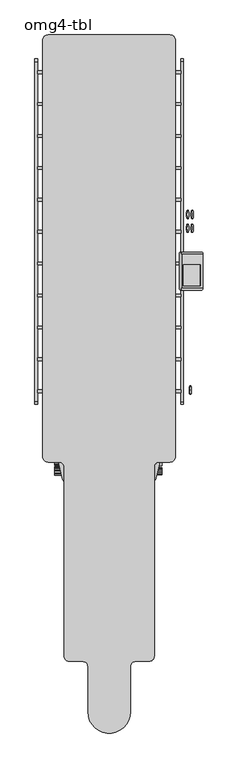
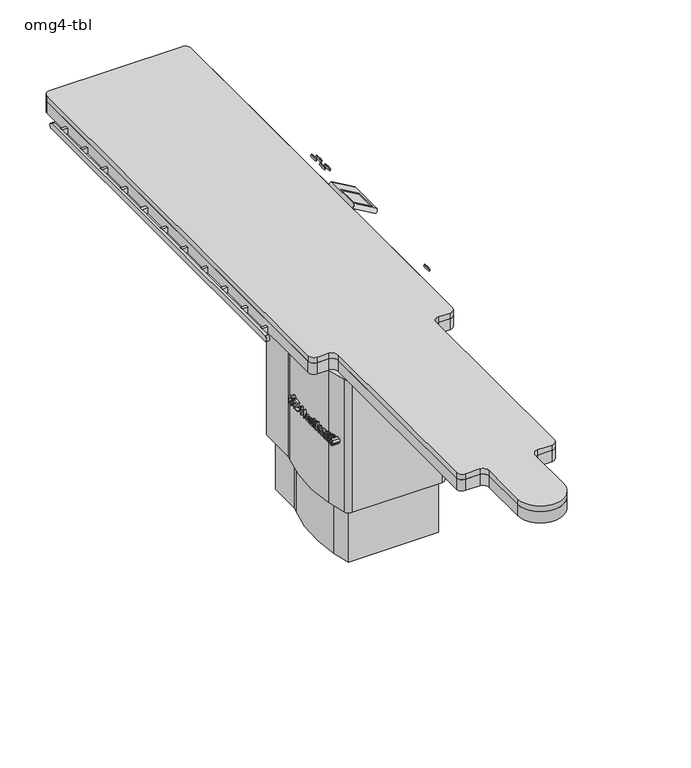
"""IFC4 building model written with IfcOpenShell, lengths in millimetres: proxy geometry, omg4-tbl."""

from ifc_helpers import new_model, si_unit, point, frame, frame_2d, origin, origin_with_axes, place, context, project, spatial, polyline, circle_curve, ellipse_curve, trimmed, segment, composite_curve, outline, extrude, source, transform, mapped, element, save
from ifc_brep_helpers import plane_surface, cylinder_surface, extruded_surface, advanced_brep


def omg4_tbl_493a98fd(model_context):
    return source(origin(), model_context, "Body", "SolidModel", [
        extrude(outline(composite_curve([segment(polyline([(197.4871344, 1087.3739238), (-197.4871344, 1087.3739238)]), True, "CONTINUOUS"), segment(trimmed(circle_curve(frame_2d((457.3916656, 1292.1018648)), 686.1339318), [point((-197.4871344, 1087.3739238))], [point((-217.4360473, 1168.056186))], False, "CARTESIAN"), True, "CONTINUOUS"), segment(trimmed(circle_curve(frame_2d((457.3916656, 1292.1018648)), 686.1339318), [point((-217.4360473, 1168.056186))], [point((-202.5037078, 1480.0323536))], False, "CARTESIAN"), True, "CONTINUOUS"), segment(trimmed(circle_curve(frame_2d((-246.6654355, 1503.5410697)), 50.0291708), [point((-202.5037078, 1480.0323536))], [point((-196.6365339, 1503.3769594))], True, "CARTESIAN"), True, "CONTINUOUS"), segment(polyline([(-196.6365339, 1503.3769594), (-196.6365339, 1646.1739238), (196.6365339, 1646.1739238), (196.6365339, 1503.3769594)]), True, "CONTINUOUS"), segment(trimmed(circle_curve(frame_2d((246.6654355, 1503.5410697)), 50.0291708), [point((196.6365339, 1503.3769594))], [point((202.5037078, 1480.0323536))], True, "CARTESIAN"), True, "CONTINUOUS"), segment(trimmed(circle_curve(frame_2d((-457.3916656, 1292.1018648)), 686.1339318), [point((202.5037078, 1480.0323536))], [point((217.4360473, 1168.056186))], False, "CARTESIAN"), True, "CONTINUOUS"), segment(trimmed(circle_curve(frame_2d((-457.3916656, 1292.1018648)), 686.1339318), [point((217.4360473, 1168.056186))], [point((197.4871344, 1087.3739238))], False, "CARTESIAN"), True, "CONTINUOUS")], self_intersect=False)), origin_with_axes(), (0.0, 0.0, 1.0), 304.8),
        extrude(outline(composite_curve([segment(polyline([(-222.0365339, 1503.4259238), (-222.0365339, 1671.5739238), (222.0365339, 1671.5739238), (222.0365339, 1503.4259238)]), True, "CONTINUOUS"), segment(trimmed(circle_curve(frame_2d((246.6654355, 1503.5410697)), 24.6291708), [point((222.0365339, 1503.4259238))], [point((226.0481023, 1490.0680735))], True, "CARTESIAN"), True, "CONTINUOUS"), segment(trimmed(circle_curve(frame_2d((-457.3916656, 1292.1018648)), 711.5339318), [point((226.0481023, 1490.0680735))], [point((242.4175022, 1163.4641376))], False, "CARTESIAN"), True, "CONTINUOUS"), segment(trimmed(circle_curve(frame_2d((-457.3916656, 1292.1018648)), 711.5339318), [point((242.4175022, 1163.4641376))], [point((221.7301003, 1079.7950978))], False, "CARTESIAN"), True, "CONTINUOUS"), segment(trimmed(circle_curve(frame_2d((197.4871344, 1087.3739238)), 25.4), [point((221.7301003, 1079.7950978))], [point((197.4871344, 1061.9739238))], False, "CARTESIAN"), True, "CONTINUOUS"), segment(polyline([(197.4871344, 1061.9739238), (-197.4871344, 1061.9739238)]), True, "CONTINUOUS"), segment(trimmed(circle_curve(frame_2d((-197.4871344, 1087.3739238)), 25.4), [point((-197.4871344, 1061.9739238))], [point((-221.7301003, 1079.7950978))], False, "CARTESIAN"), True, "CONTINUOUS"), segment(trimmed(circle_curve(frame_2d((457.3916656, 1292.1018648)), 711.5339318), [point((-221.7301003, 1079.7950978))], [point((-242.4175022, 1163.4641376))], False, "CARTESIAN"), True, "CONTINUOUS"), segment(trimmed(circle_curve(frame_2d((457.3916656, 1292.1018648)), 711.5339318), [point((-242.4175022, 1163.4641376))], [point((-226.0481023, 1490.0680735))], False, "CARTESIAN"), True, "CONTINUOUS"), segment(trimmed(circle_curve(frame_2d((-246.6654355, 1503.5410697)), 24.6291708), [point((-226.0481023, 1490.0680735))], [point((-222.0365339, 1503.4259238))], True, "CARTESIAN"), True, "CONTINUOUS")], self_intersect=False)), frame((0.0, 0.0, 247.046874), z_axis=(0.0, 0.0, 1.0), x_axis=(1.0, 0.0, 0.0)), (0.0, 0.0, 1.0), 614.8831494),
        extrude(outline(polyline([(-342.9, 1495.5182659), (-342.9, 1508.2182659), (-317.5, 1508.2182659), (-317.5, 1495.5182659), (-342.9, 1495.5182659)])), frame((0.0, 0.0, 861.9300234), z_axis=(0.0, 0.0, 1.0), x_axis=(1.0, 0.0, 0.0)), (0.0, 0.0, 1.0), 25.4),
        extrude(outline(polyline([(-342.9, 1647.9182659), (-342.9, 1660.6182659), (-317.5, 1660.6182659), (-317.5, 1647.9182659), (-342.9, 1647.9182659)])), frame((0.0, 0.0, 861.9300234), z_axis=(0.0, 0.0, 1.0), x_axis=(1.0, 0.0, 0.0)), (0.0, 0.0, 1.0), 25.4),
        extrude(outline(polyline([(-342.9, 1800.3182659), (-342.9, 1813.0182659), (-317.5, 1813.0182659), (-317.5, 1800.3182659), (-342.9, 1800.3182659)])), frame((0.0, 0.0, 861.9300234), z_axis=(0.0, 0.0, 1.0), x_axis=(1.0, 0.0, 0.0)), (0.0, 0.0, 1.0), 25.4),
        extrude(outline(polyline([(-342.9, 1952.7182659), (-342.9, 1965.4182659), (-317.5, 1965.4182659), (-317.5, 1952.7182659), (-342.9, 1952.7182659)])), frame((0.0, 0.0, 861.9300234), z_axis=(0.0, 0.0, 1.0), x_axis=(1.0, 0.0, 0.0)), (0.0, 0.0, 1.0), 25.4),
        extrude(outline(polyline([(-342.9, 2105.1182659), (-342.9, 2117.8182659), (-317.5, 2117.8182659), (-317.5, 2105.1182659), (-342.9, 2105.1182659)])), frame((0.0, 0.0, 861.9300234), z_axis=(0.0, 0.0, 1.0), x_axis=(1.0, 0.0, 0.0)), (0.0, 0.0, 1.0), 25.4),
        extrude(outline(polyline([(-342.9, 2257.5182659), (-342.9, 2270.2182659), (-317.5, 2270.2182659), (-317.5, 2257.5182659), (-342.9, 2257.5182659)])), frame((0.0, 0.0, 861.9300234), z_axis=(0.0, 0.0, 1.0), x_axis=(1.0, 0.0, 0.0)), (0.0, 0.0, 1.0), 25.4),
        extrude(outline(polyline([(-342.9, 2409.9182659), (-342.9, 2422.6182659), (-317.5, 2422.6182659), (-317.5, 2409.9182659), (-342.9, 2409.9182659)])), frame((0.0, 0.0, 861.9300234), z_axis=(0.0, 0.0, 1.0), x_axis=(1.0, 0.0, 0.0)), (0.0, 0.0, 1.0), 25.4),
        extrude(outline(polyline([(-342.9, 2562.3182659), (-342.9, 2575.0182659), (-317.5, 2575.0182659), (-317.5, 2562.3182659), (-342.9, 2562.3182659)])), frame((0.0, 0.0, 861.9300234), z_axis=(0.0, 0.0, 1.0), x_axis=(1.0, 0.0, 0.0)), (0.0, 0.0, 1.0), 25.4),
        extrude(outline(polyline([(-342.9, 2714.7182659), (-342.9, 2727.4182659), (-317.5, 2727.4182659), (-317.5, 2714.7182659), (-342.9, 2714.7182659)])), frame((0.0, 0.0, 861.9300234), z_axis=(0.0, 0.0, 1.0), x_axis=(1.0, 0.0, 0.0)), (0.0, 0.0, 1.0), 25.4),
        extrude(outline(polyline([(-342.9, 2867.1182659), (-342.9, 2879.8182659), (-317.5, 2879.8182659), (-317.5, 2867.1182659), (-342.9, 2867.1182659)])), frame((0.0, 0.0, 861.9300234), z_axis=(0.0, 0.0, 1.0), x_axis=(1.0, 0.0, 0.0)), (0.0, 0.0, 1.0), 25.4),
        extrude(outline(polyline([(-342.9, 3019.5182659), (-342.9, 3032.2182659), (-317.5, 3032.2182659), (-317.5, 3019.5182659), (-342.9, 3019.5182659)])), frame((0.0, 0.0, 861.9300234), z_axis=(0.0, 0.0, 1.0), x_axis=(1.0, 0.0, 0.0)), (0.0, 0.0, 1.0), 25.4),
        extrude(outline(polyline([(342.9, 1508.2182659), (342.9, 1495.5182659), (317.5, 1495.5182659), (317.5, 1508.2182659), (342.9, 1508.2182659)])), frame((0.0, 0.0, 861.9300234), z_axis=(0.0, 0.0, 1.0), x_axis=(1.0, 0.0, 0.0)), (0.0, 0.0, 1.0), 25.4),
        extrude(outline(polyline([(342.9, 1660.6182659), (342.9, 1647.9182659), (317.5, 1647.9182659), (317.5, 1660.6182659), (342.9, 1660.6182659)])), frame((0.0, 0.0, 861.9300234), z_axis=(0.0, 0.0, 1.0), x_axis=(1.0, 0.0, 0.0)), (0.0, 0.0, 1.0), 25.4),
        extrude(outline(polyline([(342.9, 1813.0182659), (342.9, 1800.3182659), (317.5, 1800.3182659), (317.5, 1813.0182659), (342.9, 1813.0182659)])), frame((0.0, 0.0, 861.9300234), z_axis=(0.0, 0.0, 1.0), x_axis=(1.0, 0.0, 0.0)), (0.0, 0.0, 1.0), 25.4),
        extrude(outline(polyline([(342.9, 1965.4182659), (342.9, 1952.7182659), (317.5, 1952.7182659), (317.5, 1965.4182659), (342.9, 1965.4182659)])), frame((0.0, 0.0, 861.9300234), z_axis=(0.0, 0.0, 1.0), x_axis=(1.0, 0.0, 0.0)), (0.0, 0.0, 1.0), 25.4),
        extrude(outline(polyline([(342.9, 2117.8182659), (342.9, 2105.1182659), (317.5, 2105.1182659), (317.5, 2117.8182659), (342.9, 2117.8182659)])), frame((0.0, 0.0, 861.9300234), z_axis=(0.0, 0.0, 1.0), x_axis=(1.0, 0.0, 0.0)), (0.0, 0.0, 1.0), 25.4),
        extrude(outline(polyline([(342.9, 2270.2182659), (342.9, 2257.5182659), (317.5, 2257.5182659), (317.5, 2270.2182659), (342.9, 2270.2182659)])), frame((0.0, 0.0, 861.9300234), z_axis=(0.0, 0.0, 1.0), x_axis=(1.0, 0.0, 0.0)), (0.0, 0.0, 1.0), 25.4),
        extrude(outline(polyline([(342.9, 2422.6182659), (342.9, 2409.9182659), (317.5, 2409.9182659), (317.5, 2422.6182659), (342.9, 2422.6182659)])), frame((0.0, 0.0, 861.9300234), z_axis=(0.0, 0.0, 1.0), x_axis=(1.0, 0.0, 0.0)), (0.0, 0.0, 1.0), 25.4),
        extrude(outline(polyline([(342.9, 2575.0182659), (342.9, 2562.3182659), (317.5, 2562.3182659), (317.5, 2575.0182659), (342.9, 2575.0182659)])), frame((0.0, 0.0, 861.9300234), z_axis=(0.0, 0.0, 1.0), x_axis=(1.0, 0.0, 0.0)), (0.0, 0.0, 1.0), 25.4),
        extrude(outline(polyline([(342.9, 2727.4182659), (342.9, 2714.7182659), (317.5, 2714.7182659), (317.5, 2727.4182659), (342.9, 2727.4182659)])), frame((0.0, 0.0, 861.9300234), z_axis=(0.0, 0.0, 1.0), x_axis=(1.0, 0.0, 0.0)), (0.0, 0.0, 1.0), 25.4),
        extrude(outline(polyline([(342.9, 2879.8182659), (342.9, 2867.1182659), (317.5, 2867.1182659), (317.5, 2879.8182659), (342.9, 2879.8182659)])), frame((0.0, 0.0, 861.9300234), z_axis=(0.0, 0.0, 1.0), x_axis=(1.0, 0.0, 0.0)), (0.0, 0.0, 1.0), 25.4),
        extrude(outline(polyline([(342.9, 3032.2182659), (342.9, 3019.5182659), (317.5, 3019.5182659), (317.5, 3032.2182659), (342.9, 3032.2182659)])), frame((0.0, 0.0, 861.9300234), z_axis=(0.0, 0.0, 1.0), x_axis=(1.0, 0.0, 0.0)), (0.0, 0.0, 1.0), 25.4),
        extrude(outline(composite_curve([segment(trimmed(circle_curve(frame_2d((3076.6682659, 874.6300234)), 12.7), [point((3076.6682659, 887.3300234))], [point((3076.6682659, 861.9300234))], False, "CARTESIAN"), True, "CONTINUOUS"), segment(polyline([(3076.6682659, 861.9300234), (1451.0682659, 861.9300234)]), True, "CONTINUOUS"), segment(trimmed(circle_curve(frame_2d((1451.0682659, 874.6300234)), 12.7), [point((1451.0682659, 861.9300234))], [point((1451.0682659, 887.3300234))], False, "CARTESIAN"), True, "CONTINUOUS"), segment(polyline([(1451.0682659, 887.3300234), (3076.6682659, 887.3300234)]), True, "CONTINUOUS")], self_intersect=False)), frame((-355.6, 0.0, 0.0), z_axis=(1.0, 0.0, 0.0), x_axis=(0.0, 1.0, 0.0)), (0.0, 0.0, 1.0), 12.7),
        extrude(outline(composite_curve([segment(trimmed(circle_curve(frame_2d((3076.6682659, 874.6300234)), 12.7), [point((3076.6682659, 887.3300234))], [point((3076.6682659, 861.9300234))], False, "CARTESIAN"), True, "CONTINUOUS"), segment(polyline([(3076.6682659, 861.9300234), (1451.0682659, 861.9300234)]), True, "CONTINUOUS"), segment(trimmed(circle_curve(frame_2d((1451.0682659, 874.6300234)), 12.7), [point((1451.0682659, 861.9300234))], [point((1451.0682659, 887.3300234))], False, "CARTESIAN"), True, "CONTINUOUS"), segment(polyline([(1451.0682659, 887.3300234), (3076.6682659, 887.3300234)]), True, "CONTINUOUS")], self_intersect=False)), frame((342.9, 0.0, 0.0), z_axis=(1.0, 0.0, 0.0), x_axis=(0.0, 1.0, 0.0)), (0.0, 0.0, 1.0), 12.7),
        extrude(outline(composite_curve([segment(polyline([(101.6, 185.5641376), (101.6, -30.3358624)]), True, "CONTINUOUS"), segment(trimmed(circle_curve(frame_2d((0.0, -30.3358624)), 101.6), [point((101.6, -30.3358624))], [point((-101.6, -30.3358624))], False, "CARTESIAN"), True, "CONTINUOUS"), segment(polyline([(-101.6, -30.3358624), (-101.6, 185.5641376)]), True, "CONTINUOUS"), segment(trimmed(circle_curve(frame_2d((-127.0, 185.5641376)), 25.4), [point((-101.6, 185.5641376))], [point((-127.0, 210.9641376))], True, "CARTESIAN"), True, "CONTINUOUS"), segment(polyline([(-127.0, 210.9641376), (-190.5, 210.9641376)]), True, "CONTINUOUS"), segment(trimmed(circle_curve(frame_2d((-190.5, 236.3641376)), 25.4), [point((-190.5, 210.9641376))], [point((-215.9, 236.3641376))], False, "CARTESIAN"), True, "CONTINUOUS"), segment(polyline([(-215.9, 236.3641376), (-215.9, 1138.0641376)]), True, "CONTINUOUS"), segment(trimmed(circle_curve(frame_2d((-241.3, 1138.0641376)), 25.4), [point((-215.9, 1138.0641376))], [point((-241.3, 1163.4641376))], True, "CARTESIAN"), True, "CONTINUOUS"), segment(polyline([(-241.3, 1163.4641376), (-292.1, 1163.4641376)]), True, "CONTINUOUS"), segment(trimmed(circle_curve(frame_2d((-292.1, 1188.8641376)), 25.4), [point((-292.1, 1163.4641376))], [point((-317.5, 1188.8641376))], False, "CARTESIAN"), True, "CONTINUOUS"), segment(polyline([(-317.5, 1188.8641376), (-317.5, 3178.7001376)]), True, "CONTINUOUS"), segment(trimmed(circle_curve(frame_2d((-292.1, 3178.7001376)), 25.4), [point((-317.5, 3178.7001376))], [point((-292.1, 3204.1001376))], False, "CARTESIAN"), True, "CONTINUOUS"), segment(polyline([(-292.1, 3204.1001376), (292.1, 3204.1001376)]), True, "CONTINUOUS"), segment(trimmed(circle_curve(frame_2d((292.1, 3178.7001376)), 25.4), [point((292.1, 3204.1001376))], [point((317.5, 3178.7001376))], False, "CARTESIAN"), True, "CONTINUOUS"), segment(polyline([(317.5, 3178.7001376), (317.5, 1188.8641376)]), True, "CONTINUOUS"), segment(trimmed(circle_curve(frame_2d((292.1, 1188.8641376)), 25.4), [point((317.5, 1188.8641376))], [point((292.1, 1163.4641376))], False, "CARTESIAN"), True, "CONTINUOUS"), segment(polyline([(292.1, 1163.4641376), (241.3, 1163.4641376)]), True, "CONTINUOUS"), segment(trimmed(circle_curve(frame_2d((241.3, 1138.0641376)), 25.4), [point((241.3, 1163.4641376))], [point((215.9, 1138.0641376))], True, "CARTESIAN"), True, "CONTINUOUS"), segment(polyline([(215.9, 1138.0641376), (215.9, 236.3641376)]), True, "CONTINUOUS"), segment(trimmed(circle_curve(frame_2d((190.5, 236.3641376)), 25.4), [point((215.9, 236.3641376))], [point((190.5, 210.9641376))], False, "CARTESIAN"), True, "CONTINUOUS"), segment(polyline([(190.5, 210.9641376), (127.0, 210.9641376)]), True, "CONTINUOUS"), segment(trimmed(circle_curve(frame_2d((127.0, 185.5641376)), 25.4), [point((127.0, 210.9641376))], [point((101.6, 185.5641376))], True, "CARTESIAN"), True, "CONTINUOUS")], self_intersect=False)), frame((0.0, 0.0, 914.4), z_axis=(0.0, 0.0, 1.0), x_axis=(1.0, 0.0, 0.0)), (0.0, 0.0, 1.0), 25.4),
        extrude(outline(composite_curve([segment(polyline([(-317.5, 1188.8641376), (-317.5, 3178.7001376)]), True, "CONTINUOUS"), segment(trimmed(circle_curve(frame_2d((-292.1, 3178.7001376)), 25.4), [point((-317.5, 3178.7001376))], [point((-292.1, 3204.1001376))], False, "CARTESIAN"), True, "CONTINUOUS"), segment(polyline([(-292.1, 3204.1001376), (292.1, 3204.1001376)]), True, "CONTINUOUS"), segment(trimmed(circle_curve(frame_2d((292.1, 3178.7001376)), 25.4), [point((292.1, 3204.1001376))], [point((317.5, 3178.7001376))], False, "CARTESIAN"), True, "CONTINUOUS"), segment(polyline([(317.5, 3178.7001376), (317.5, 1188.8641376)]), True, "CONTINUOUS"), segment(trimmed(circle_curve(frame_2d((292.1, 1188.8641376)), 25.4), [point((317.5, 1188.8641376))], [point((292.1, 1163.4641376))], False, "CARTESIAN"), True, "CONTINUOUS"), segment(polyline([(292.1, 1163.4641376), (241.3, 1163.4641376)]), True, "CONTINUOUS"), segment(trimmed(circle_curve(frame_2d((241.3, 1138.0641376)), 25.4), [point((241.3, 1163.4641376))], [point((215.9, 1138.0641376))], True, "CARTESIAN"), True, "CONTINUOUS"), segment(polyline([(215.9, 1138.0641376), (215.9, 236.3641376)]), True, "CONTINUOUS"), segment(trimmed(circle_curve(frame_2d((190.5, 236.3641376)), 25.4), [point((215.9, 236.3641376))], [point((190.5, 210.9641376))], False, "CARTESIAN"), True, "CONTINUOUS"), segment(polyline([(190.5, 210.9641376), (127.0, 210.9641376)]), True, "CONTINUOUS"), segment(trimmed(circle_curve(frame_2d((127.0, 185.5641376)), 25.4), [point((127.0, 210.9641376))], [point((101.6, 185.5641376))], True, "CARTESIAN"), True, "CONTINUOUS"), segment(polyline([(101.6, 185.5641376), (101.6, -30.3358624)]), True, "CONTINUOUS"), segment(trimmed(circle_curve(frame_2d((0.0, -30.3358624)), 101.6), [point((101.6, -30.3358624))], [point((-101.6, -30.3358624))], False, "CARTESIAN"), True, "CONTINUOUS"), segment(polyline([(-101.6, -30.3358624), (-101.6, 185.5641376)]), True, "CONTINUOUS"), segment(trimmed(circle_curve(frame_2d((-127.0, 185.5641376)), 25.4), [point((-101.6, 185.5641376))], [point((-127.0, 210.9641376))], True, "CARTESIAN"), True, "CONTINUOUS"), segment(polyline([(-127.0, 210.9641376), (-190.5, 210.9641376)]), True, "CONTINUOUS"), segment(trimmed(circle_curve(frame_2d((-190.5, 236.3641376)), 25.4), [point((-190.5, 210.9641376))], [point((-215.9, 236.3641376))], False, "CARTESIAN"), True, "CONTINUOUS"), segment(polyline([(-215.9, 236.3641376), (-215.9, 1138.0641376)]), True, "CONTINUOUS"), segment(trimmed(circle_curve(frame_2d((-241.3, 1138.0641376)), 25.4), [point((-215.9, 1138.0641376))], [point((-241.3, 1163.4641376))], True, "CARTESIAN"), True, "CONTINUOUS"), segment(polyline([(-241.3, 1163.4641376), (-292.1, 1163.4641376)]), True, "CONTINUOUS"), segment(trimmed(circle_curve(frame_2d((-292.1, 1188.8641376)), 25.4), [point((-292.1, 1163.4641376))], [point((-317.5, 1188.8641376))], False, "CARTESIAN"), True, "CONTINUOUS")], self_intersect=False)), frame((0.0, 0.0, 861.9300234), z_axis=(0.0, 0.0, 1.0), x_axis=(1.0, 0.0, 0.0)), (0.0, 0.0, 1.0), 52.4699766),
        extrude(outline(polyline([(1418.7070726, 565.4669604), (1408.1563033, 565.4669604), (1408.1563033, 558.6895566), (1412.9050654, 556.1205542), (1419.3207024, 554.9161912), (1426.4690317, 556.5143763), (1431.5978779, 561.4050974), (1433.3609187, 569.579196), (1431.8955341, 576.9427537), (1429.4822288, 580.5558426), (1425.3974692, 583.2118523), (1419.3939716, 584.2238835), (1414.1231663, 583.2851215), (1410.4688634, 580.784809), (1408.3303178, 576.4481864), (1404.0074331, 577.6662873), (1406.8420365, 583.8712753), (1411.9846206, 587.5805301), (1419.3207024, 588.9131143), (1429.1937312, 586.6142922), (1435.7650654, 579.5850253), (1438.0501495, 569.3868643), (1435.7559067, 559.4130902), (1428.9601855, 552.5853138), (1418.9451976, 550.2269604), (1410.9909067, 551.7106623), (1403.4670726, 556.1342922), (1403.4670726, 570.1561912), (1418.7070726, 570.1561912), (1418.7070726, 565.4669604)])), frame((-260.1365339, 0.0, 0.0), z_axis=(1.0, 0.0, 0.0), x_axis=(0.0, 1.0, 0.0)), (0.0, 0.0, 1.0), 38.1),
        extrude(outline(polyline([(1395.8470726, 550.8131143), (1368.2978418, 550.8131143), (1368.2978418, 555.502345), (1391.1578418, 555.502345), (1391.1578418, 567.8115758), (1370.0563033, 567.8115758), (1370.0563033, 572.5008066), (1391.1578418, 572.5008066), (1391.1578418, 583.6377297), (1368.8839956, 583.6377297), (1368.8839956, 588.3269604), (1395.8470726, 588.3269604), (1395.8470726, 550.8131143)])), frame((-260.1365339, 0.0, 0.0), z_axis=(1.0, 0.0, 0.0), x_axis=(0.0, 1.0, 0.0)), (0.0, 0.0, 1.0), 38.1),
        extrude(outline(polyline([(1346.6101495, 550.8131143), (1341.9209187, 550.8131143), (1341.9209187, 568.3977297), (1321.991688, 568.3977297), (1321.991688, 550.8131143), (1317.3024572, 550.8131143), (1317.3024572, 588.3269604), (1321.991688, 588.3269604), (1321.991688, 573.0869604), (1341.9209187, 573.0869604), (1341.9209187, 588.3269604), (1346.6101495, 588.3269604), (1346.6101495, 550.8131143)])), frame((-260.1365339, 0.0, 0.0), z_axis=(1.0, 0.0, 0.0), x_axis=(0.0, 1.0, 0.0)), (0.0, 0.0, 1.0), 38.1),
        extrude(outline(polyline([(1290.3943322, 559.0192681), (1293.416688, 555.8961672), (1298.0143322, 554.9161912), (1304.0544644, 557.0318402), (1306.751688, 563.122345), (1285.6501495, 564.3862393), (1289.2082865, 575.1293402), (1298.3715197, 578.9484989), (1307.8049331, 575.1201816), (1311.4409187, 564.3587633), (1307.8415678, 553.9407946), (1298.1059187, 550.2269604), (1290.0966759, 552.3792441), (1285.796688, 558.4331143), (1290.3943322, 559.0192681)]), holes=[polyline([(1306.751688, 567.8115758), (1304.1643682, 572.5053859), (1298.389837, 574.2592681), (1292.2169043, 572.0611912), (1290.3393803, 567.8115758), (1306.751688, 567.8115758)])]), frame((-260.1365339, 0.0, 0.0), z_axis=(1.0, 0.0, 0.0), x_axis=(0.0, 1.0, 0.0)), (0.0, 0.0, 1.0), 38.1),
        extrude(outline(polyline([(1263.3763033, 554.3300373), (1262.2039956, 550.8131143), (1257.5147649, 550.8131143), (1258.4489476, 554.7559148), (1258.6870726, 562.9025373), (1258.6870726, 568.7365998), (1258.9160389, 572.8396768), (1260.3539476, 576.022309), (1263.5640557, 578.1150614), (1269.2470005, 578.9484989), (1275.4336711, 578.0051575), (1279.5184307, 575.321672), (1281.5470726, 570.742345), (1276.8578418, 570.1561912), (1274.5956543, 573.3571407), (1269.8514716, 574.2592681), (1264.6676735, 572.9037873), (1263.4037793, 568.3977297), (1271.5366639, 566.7858066), (1275.5939476, 566.0805902), (1278.877325, 564.5419364), (1281.2356783, 561.8492922), (1282.1332264, 558.1400373), (1279.7565557, 552.4525133), (1272.9470966, 550.2269604), (1267.923575, 551.1519845), (1263.3763033, 554.3300373)]), holes=[polyline([(1263.3900413, 563.0444965), (1264.1456303, 558.7536672), (1267.2046206, 556.0381263), (1271.9488033, 554.9161912), (1276.0473009, 555.9328018), (1277.4439956, 558.4697489), (1276.8028899, 560.2740037), (1274.9757384, 561.510422), (1270.9413514, 562.2705902), (1263.3900413, 563.0444965)])]), frame((-260.1365339, 0.0, 0.0), z_axis=(1.0, 0.0, 0.0), x_axis=(0.0, 1.0, 0.0)), (0.0, 0.0, 1.0), 38.1),
        extrude(outline(polyline([(-260.1365339, 1247.5501495), (-260.1365339, 1252.2393803), (-222.0365339, 1252.2393803), (-222.0365339, 1247.5501495), (-260.1365339, 1247.5501495)])), frame((0.0, 0.0, 550.8131143), z_axis=(0.0, 0.0, 1.0), x_axis=(1.0, 0.0, 0.0)), (0.0, 0.0, 1.0), 37.5138462),
        extrude(outline(polyline([(1230.551688, 554.7238595), (1232.5940678, 554.9161912), (1234.9936351, 556.0884989), (1235.2409187, 558.5063835), (1235.2409187, 573.6731143), (1230.551688, 573.6731143), (1230.551688, 578.362345), (1235.2409187, 578.362345), (1235.2409187, 587.8140758), (1239.9301495, 585.057321), (1239.9301495, 578.362345), (1243.4470726, 578.362345), (1243.4470726, 573.6731143), (1239.9301495, 573.6731143), (1239.9301495, 558.3690037), (1239.362313, 553.0478258), (1237.402361, 551.005446), (1233.4732985, 550.2269604), (1229.9655341, 550.6757345), (1230.551688, 554.7238595)])), frame((-260.1365339, 0.0, 0.0), z_axis=(1.0, 0.0, 0.0), x_axis=(0.0, 1.0, 0.0)), (0.0, 0.0, 1.0), 38.1),
        extrude(outline(polyline([(1225.8624572, 550.8131143), (1221.1732264, 550.8131143), (1221.1732264, 565.4486431), (1220.4084788, 570.3851575), (1217.8440557, 573.2151816), (1214.0020005, 574.2592681), (1209.7707024, 572.7114556), (1208.2778418, 567.7657825), (1208.2778418, 550.8131143), (1203.588611, 550.8131143), (1203.588611, 568.2511912), (1204.5502697, 574.4149652), (1207.7466399, 577.7441359), (1213.0128658, 578.9484989), (1221.1732264, 574.5340277), (1221.1732264, 588.3269604), (1225.8624572, 588.3269604), (1225.8624572, 550.8131143)])), frame((-260.1365339, 0.0, 0.0), z_axis=(1.0, 0.0, 0.0), x_axis=(0.0, 1.0, 0.0)), (0.0, 0.0, 1.0), 38.1),
        extrude(outline(polyline([(1179.5563033, 560.7777297), (1181.8047529, 556.3540998), (1186.2238033, 554.9161912), (1191.5770365, 557.2195926), (1193.6239956, 564.6152056), (1191.5312432, 571.9421287), (1186.0955822, 574.2592681), (1182.3176375, 573.0823811), (1180.1424572, 569.5700373), (1175.4532264, 570.1561912), (1179.0022048, 576.6588354), (1186.1322168, 578.9484989), (1192.5112192, 577.2816239), (1196.8798971, 572.2764196), (1198.3132264, 564.4869845), (1194.9565798, 553.9133186), (1186.0681062, 550.2269604), (1178.6312793, 552.8692321), (1174.8670726, 560.1915758), (1179.5563033, 560.7777297)])), frame((-260.1365339, 0.0, 0.0), z_axis=(1.0, 0.0, 0.0), x_axis=(0.0, 1.0, 0.0)), (0.0, 0.0, 1.0), 38.1),
        extrude(outline(polyline([(1153.1793803, 554.3300373), (1152.0070726, 550.8131143), (1147.3178418, 550.8131143), (1148.2520245, 554.7559148), (1148.4901495, 562.9025373), (1148.4901495, 568.7365998), (1148.7191158, 572.8396768), (1150.1570245, 576.022309), (1153.3671327, 578.1150614), (1159.0500774, 578.9484989), (1165.236748, 578.0051575), (1169.3215077, 575.321672), (1171.3501495, 570.742345), (1166.6609187, 570.1561912), (1164.3987312, 573.3571407), (1159.6545485, 574.2592681), (1154.4707505, 572.9037873), (1153.2068562, 568.3977297), (1161.3397408, 566.7858066), (1165.3970245, 566.0805902), (1168.6804019, 564.5419364), (1171.0387553, 561.8492922), (1171.9363033, 558.1400373), (1169.5596327, 552.4525133), (1162.7501735, 550.2269604), (1157.7266519, 551.1519845), (1153.1793803, 554.3300373)]), holes=[polyline([(1153.1931182, 563.0444965), (1153.9487072, 558.7536672), (1157.0076976, 556.0381263), (1161.7518803, 554.9161912), (1165.8503779, 555.9328018), (1167.2470726, 558.4697489), (1166.6059668, 560.2740037), (1164.7788154, 561.510422), (1160.7444283, 562.2705902), (1153.1931182, 563.0444965)])]), frame((-260.1365339, 0.0, 0.0), z_axis=(1.0, 0.0, 0.0), x_axis=(0.0, 1.0, 0.0)), (0.0, 0.0, 1.0), 38.1),
        extrude(outline(polyline([(1142.0424572, 550.8131143), (1137.3532264, 550.8131143), (1137.3532264, 565.292946), (1136.5930581, 570.769821), (1134.9032865, 573.3342441), (1132.2518562, 574.2592681), (1128.9547408, 573.2976095), (1127.388611, 577.5014316), (1132.0961591, 578.9484989), (1135.0269283, 578.0417922), (1137.9393803, 574.2867441), (1137.9393803, 578.362345), (1142.0424572, 578.362345), (1142.0424572, 550.8131143)])), frame((-260.1365339, 0.0, 0.0), z_axis=(1.0, 0.0, 0.0), x_axis=(0.0, 1.0, 0.0)), (0.0, 0.0, 1.0), 38.1),
        extrude(outline(polyline([(1105.1697168, 559.0192681), (1108.1920726, 555.8961672), (1112.7897168, 554.9161912), (1118.829849, 557.0318402), (1121.5270726, 563.122345), (1100.4255341, 564.3862393), (1103.9836711, 575.1293402), (1113.1469043, 578.9484989), (1122.5803178, 575.1201816), (1126.2163033, 564.3587633), (1122.6169524, 553.9407946), (1112.8813033, 550.2269604), (1104.8720605, 552.3792441), (1100.5720726, 558.4331143), (1105.1697168, 559.0192681)]), holes=[polyline([(1121.5270726, 567.8115758), (1118.9397529, 572.5053859), (1113.1652216, 574.2592681), (1106.9922889, 572.0611912), (1105.1147649, 567.8115758), (1121.5270726, 567.8115758)])]), frame((-260.1365339, 0.0, 0.0), z_axis=(1.0, 0.0, 0.0), x_axis=(0.0, 1.0, 0.0)), (0.0, 0.0, 1.0), 38.1),
        extrude(outline(polyline([(1122.0165339, 565.196318), (1122.0165339, 569.8855487), (1137.2565339, 569.8855487), (1137.2565339, 555.8636497), (1129.7326998, 551.4400199), (1121.7784089, 549.956318), (1111.763421, 552.3146713), (1104.9676998, 559.1424478), (1102.673457, 569.1162218), (1104.9585412, 579.3143829), (1111.5298753, 586.3436497), (1121.4029041, 588.6424718), (1128.7389859, 587.3098877), (1133.88157, 583.6006329), (1136.7161734, 577.3956449), (1132.3932887, 576.1775439), (1130.2547431, 580.5141665), (1126.6004402, 583.014479), (1121.3296349, 583.953241), (1115.3261373, 582.9412098), (1111.2413777, 580.2852002), (1108.8280724, 576.6721112), (1107.3626878, 569.3085535), (1109.1257287, 561.134455), (1114.2545748, 556.2437338), (1121.4029041, 554.6455487), (1127.8185412, 555.8499117), (1132.5673032, 558.4189141), (1132.5673032, 565.196318), (1122.0165339, 565.196318)])), frame((222.0365339, 0.0, 0.0), z_axis=(1.0, 0.0, 0.0), x_axis=(0.0, 1.0, 0.0)), (0.0, 0.0, 1.0), 31.75),
        extrude(outline(polyline([(1144.8765339, 550.5424718), (1144.8765339, 588.056318), (1171.8396109, 588.056318), (1171.8396109, 583.3670872), (1149.5657647, 583.3670872), (1149.5657647, 572.2301641), (1170.6673032, 572.2301641), (1170.6673032, 567.5409333), (1149.5657647, 567.5409333), (1149.5657647, 555.2317026), (1172.4257647, 555.2317026), (1172.4257647, 550.5424718), (1144.8765339, 550.5424718)])), frame((222.0365339, 0.0, 0.0), z_axis=(1.0, 0.0, 0.0), x_axis=(0.0, 1.0, 0.0)), (0.0, 0.0, 1.0), 31.75),
        extrude(outline(polyline([(1194.113457, 550.5424718), (1194.113457, 588.056318), (1198.8026878, 588.056318), (1198.8026878, 572.816318), (1218.7319186, 572.816318), (1218.7319186, 588.056318), (1223.4211493, 588.056318), (1223.4211493, 550.5424718), (1218.7319186, 550.5424718), (1218.7319186, 568.1270872), (1198.8026878, 568.1270872), (1198.8026878, 550.5424718), (1194.113457, 550.5424718)])), frame((222.0365339, 0.0, 0.0), z_axis=(1.0, 0.0, 0.0), x_axis=(0.0, 1.0, 0.0)), (0.0, 0.0, 1.0), 31.75),
        extrude(outline(polyline([(1250.3292743, 558.7486256), (1254.9269186, 558.1624718), (1250.6269306, 552.1086016), (1242.6176878, 549.956318), (1232.8820387, 553.6701521), (1229.2826878, 564.0881208), (1232.9186734, 574.8495391), (1242.3520868, 578.6778564), (1251.51532, 574.8586978), (1255.073457, 564.1155968), (1233.9719186, 562.8517026), (1236.6691421, 556.7611978), (1242.7092743, 554.6455487), (1247.3069186, 555.6255247), (1250.3292743, 558.7486256)]), holes=[polyline([(1233.9719186, 567.5409333), (1250.3842262, 567.5409333), (1248.5067022, 571.7905487), (1242.3337695, 573.9886256), (1236.5592383, 572.2347434), (1233.9719186, 567.5409333)])]), frame((222.0365339, 0.0, 0.0), z_axis=(1.0, 0.0, 0.0), x_axis=(0.0, 1.0, 0.0)), (0.0, 0.0, 1.0), 31.75),
        extrude(outline(polyline([(1277.3473032, 554.0593949), (1272.8000315, 550.881342), (1267.7765099, 549.956318), (1260.9670508, 552.1818708), (1258.5903801, 557.8693949), (1259.4879282, 561.5786497), (1261.8462815, 564.2712939), (1265.1296589, 565.8099478), (1269.1869426, 566.5151641), (1277.3198272, 568.1270872), (1276.055933, 572.6331449), (1270.8721349, 573.9886256), (1266.1279522, 573.0864982), (1263.8657647, 569.8855487), (1259.1765339, 570.4717026), (1261.2051758, 575.0510295), (1265.2899354, 577.7345151), (1271.4766061, 578.6778564), (1277.1595508, 577.8444189), (1280.3696589, 575.7516665), (1281.8075676, 572.5690343), (1282.0365339, 568.4659574), (1282.0365339, 562.6318949), (1282.2746589, 554.4852723), (1283.2088416, 550.5424718), (1278.5196109, 550.5424718), (1277.3473032, 554.0593949)]), holes=[polyline([(1277.3335652, 562.773854), (1269.7822551, 561.9999478), (1265.7478681, 561.2397795), (1263.9207166, 560.0033612), (1263.2796109, 558.1991064), (1264.6763056, 555.6621593), (1268.7748032, 554.6455487), (1273.5189859, 555.7674838), (1276.5779762, 558.4830247), (1277.3335652, 562.773854)])]), frame((222.0365339, 0.0, 0.0), z_axis=(1.0, 0.0, 0.0), x_axis=(0.0, 1.0, 0.0)), (0.0, 0.0, 1.0), 31.75),
        extrude(outline(polyline([(253.7865339, 1293.173457), (253.7865339, 1288.4842262), (222.0365339, 1288.4842262), (222.0365339, 1293.173457), (253.7865339, 1293.173457)])), frame((0.0, 0.0, 550.5424718), z_axis=(0.0, 0.0, 1.0), x_axis=(1.0, 0.0, 0.0)), (0.0, 0.0, 1.0), 37.5138462),
        extrude(outline(polyline([(1310.1719186, 554.453217), (1310.7580724, 550.405092), (1307.250308, 549.956318), (1303.3212455, 550.7348035), (1301.3612936, 552.7771833), (1300.793457, 558.0983612), (1300.793457, 573.4024718), (1297.2765339, 573.4024718), (1297.2765339, 578.0917026), (1300.793457, 578.0917026), (1300.793457, 584.7866785), (1305.4826878, 587.5434333), (1305.4826878, 578.0917026), (1310.1719186, 578.0917026), (1310.1719186, 573.4024718), (1305.4826878, 573.4024718), (1305.4826878, 558.235741), (1305.7299714, 555.8178564), (1308.1295387, 554.6455487), (1310.1719186, 554.453217)])), frame((222.0365339, 0.0, 0.0), z_axis=(1.0, 0.0, 0.0), x_axis=(0.0, 1.0, 0.0)), (0.0, 0.0, 1.0), 31.75),
        extrude(outline(polyline([(1314.8611493, 550.5424718), (1314.8611493, 588.056318), (1319.5503801, 588.056318), (1319.5503801, 574.2633853), (1327.7107407, 578.6778564), (1332.9769666, 577.4734934), (1336.1733368, 574.1443228), (1337.1349955, 567.9805487), (1337.1349955, 550.5424718), (1332.4457647, 550.5424718), (1332.4457647, 567.4951401), (1330.9529041, 572.4408131), (1326.7216061, 573.9886256), (1322.8795508, 572.9445391), (1320.3151277, 570.1145151), (1319.5503801, 565.1780006), (1319.5503801, 550.5424718), (1314.8611493, 550.5424718)])), frame((222.0365339, 0.0, 0.0), z_axis=(1.0, 0.0, 0.0), x_axis=(0.0, 1.0, 0.0)), (0.0, 0.0, 1.0), 31.75),
        extrude(outline(polyline([(1361.1673032, 560.5070872), (1365.8565339, 559.9209333), (1362.0923272, 552.5985896), (1354.6555003, 549.956318), (1345.7670267, 553.6426761), (1342.4103801, 564.216342), (1343.8437094, 572.0057771), (1348.2123873, 577.0109814), (1354.5913897, 578.6778564), (1361.7214017, 576.388193), (1365.2703801, 569.8855487), (1360.5811493, 569.2993949), (1358.405969, 572.8117386), (1354.6280243, 573.9886256), (1349.1923633, 571.6714862), (1347.0996109, 564.3445631), (1349.14657, 556.9489502), (1354.4998032, 554.6455487), (1358.9188537, 556.0834574), (1361.1673032, 560.5070872)])), frame((222.0365339, 0.0, 0.0), z_axis=(1.0, 0.0, 0.0), x_axis=(0.0, 1.0, 0.0)), (0.0, 0.0, 1.0), 31.75),
        extrude(outline(polyline([(1387.5442262, 554.0593949), (1382.9969546, 550.881342), (1377.973433, 549.956318), (1371.1639738, 552.1818708), (1368.7873032, 557.8693949), (1369.6848512, 561.5786497), (1372.0432046, 564.2712939), (1375.326582, 565.8099478), (1379.3838657, 566.5151641), (1387.5167503, 568.1270872), (1386.2528561, 572.6331449), (1381.069058, 573.9886256), (1376.3248753, 573.0864982), (1374.0626878, 569.8855487), (1369.373457, 570.4717026), (1371.4020988, 575.0510295), (1375.4868585, 577.7345151), (1381.6735291, 578.6778564), (1387.3564738, 577.8444189), (1390.566582, 575.7516665), (1392.0044907, 572.5690343), (1392.233457, 568.4659574), (1392.233457, 562.6318949), (1392.471582, 554.4852723), (1393.4057647, 550.5424718), (1388.7165339, 550.5424718), (1387.5442262, 554.0593949)]), holes=[polyline([(1387.5304883, 562.773854), (1379.9791782, 561.9999478), (1375.9447912, 561.2397795), (1374.1176397, 560.0033612), (1373.4765339, 558.1991064), (1374.8732287, 555.6621593), (1378.9717262, 554.6455487), (1383.7159089, 555.7674838), (1386.7748993, 558.4830247), (1387.5304883, 562.773854)])]), frame((222.0365339, 0.0, 0.0), z_axis=(1.0, 0.0, 0.0), x_axis=(0.0, 1.0, 0.0)), (0.0, 0.0, 1.0), 31.75),
        extrude(outline(polyline([(1398.6811493, 550.5424718), (1398.6811493, 578.0917026), (1402.7842262, 578.0917026), (1402.7842262, 574.0161016), (1405.6966782, 577.7711497), (1408.6274474, 578.6778564), (1413.3349955, 577.2307891), (1411.7688657, 573.026967), (1408.4717503, 573.9886256), (1405.82032, 573.0636016), (1404.1305484, 570.4991785), (1403.3703801, 565.0223035), (1403.3703801, 550.5424718), (1398.6811493, 550.5424718)])), frame((222.0365339, 0.0, 0.0), z_axis=(1.0, 0.0, 0.0), x_axis=(0.0, 1.0, 0.0)), (0.0, 0.0, 1.0), 31.75),
        extrude(outline(polyline([(1435.5538897, 558.7486256), (1440.1515339, 558.1624718), (1435.851546, 552.1086016), (1427.8423032, 549.956318), (1418.1066541, 553.6701521), (1414.5073032, 564.0881208), (1418.1432887, 574.8495391), (1427.5767022, 578.6778564), (1436.7399354, 574.8586978), (1440.2980724, 564.1155968), (1419.1965339, 562.8517026), (1421.8937575, 556.7611978), (1427.9338897, 554.6455487), (1432.5315339, 555.6255247), (1435.5538897, 558.7486256)]), holes=[polyline([(1419.1965339, 567.5409333), (1435.6088416, 567.5409333), (1433.7313176, 571.7905487), (1427.5583849, 573.9886256), (1421.7838537, 572.2347434), (1419.1965339, 567.5409333)])]), frame((222.0365339, 0.0, 0.0), z_axis=(1.0, 0.0, 0.0), x_axis=(0.0, 1.0, 0.0)), (0.0, 0.0, 1.0), 31.75),
        advanced_brep(
        [(449.1444383, 1995.6552909, 867.570455), (438.3701219, 1995.6552909, 848.9087916), (438.3701219, 2156.0804499, 848.9087916), (449.1444383, 2156.0804499, 867.570455), (347.1747651, 1995.6552909, 926.4426732), (347.1747651, 2156.0804499, 926.4426732), (336.4004487, 2156.0804499, 907.7810098), (336.4004487, 1995.6552909, 907.7810098), (354.9660763, 2106.9602484, 921.9443576), (437.454996, 2106.9602484, 874.3193576), (437.454996, 2005.3602484, 874.3193576), (354.9660763, 2005.3602484, 921.9443576), (434.763362, 2106.9602484, 869.6573107), (352.2744423, 2106.9602484, 917.2823107), (352.2744423, 2005.3602484, 917.2823107), (434.763362, 2005.3602484, 869.6573107)],
        [
            (0, 1, circle_curve(frame((443.7572801, 1995.6552909, 858.2396233), z_axis=(0.8660254037844388, 0.0, -0.49999999999999983), x_axis=(0.0, -1.0, 0.0)), 10.7743164)),
            (1, 2),
            (2, 3, circle_curve(frame((443.7572801, 2156.0804499, 858.2396233), z_axis=(0.8660254037844388, 0.0, -0.49999999999999983), x_axis=(0.0, -1.0, 0.0)), 10.7743164)),
            (3, 0),
            (4, 5),
            (5, 6, circle_curve(frame((341.7876069, 2156.0804499, 917.1118415), z_axis=(-0.8660254037844388, 0.0, 0.49999999999999983), x_axis=(0.0, -1.0, 0.0)), 10.7743164)),
            (6, 7),
            (7, 4, circle_curve(frame((341.7876069, 1995.6552909, 917.1118415), z_axis=(-0.8660254037844388, 0.0, 0.49999999999999983), x_axis=(0.0, -1.0, 0.0)), 10.7743164)),
            (3, 5),
            (4, 0),
            (8, 9),
            (9, 10),
            (10, 11),
            (11, 8),
            (2, 6),
            (1, 7),
            (12, 13),
            (13, 14),
            (14, 15),
            (15, 12),
            (12, 9),
            (8, 13),
            (11, 14),
            (10, 15),
        ],
        [
            plane_surface(frame((450.0157658, 1995.6552909, 869.0796386), z_axis=(0.8660254037844388, 0.0, -0.49999999999999983), x_axis=(-0.49999999999999983, 0.0, -0.8660254037844388))),
            plane_surface(frame((348.0460927, 1995.6552909, 927.9518569), z_axis=(-0.8660254037844388, 0.0, 0.49999999999999983), x_axis=(-0.49999999999999983, 0.0, -0.8660254037844388))),
            plane_surface(frame((449.1444383, 2156.0804499, 867.570455), z_axis=(0.5, 0.0, 0.8660254037844387), x_axis=(-0.8660254037844387, 0.0, 0.5))),
            cylinder_surface(frame((443.7572801, 2156.0804499, 858.2396233), z_axis=(0.8660254037844388, 0.0, -0.49999999999999983), x_axis=(0.0, -1.0, 0.0)), 10.7743164),
            plane_surface(frame((438.3701219, 1995.6552909, 848.9087916), z_axis=(-0.5, 0.0, -0.8660254037844387), x_axis=(-0.8660254037844387, 0.0, 0.5))),
            cylinder_surface(frame((443.7572801, 1995.6552909, 858.2396233), z_axis=(0.8660254037844388, 0.0, -0.49999999999999983), x_axis=(0.0, -1.0, 0.0)), 10.7743164),
            plane_surface(frame((434.763362, 2106.9602484, 869.6573107), z_axis=(0.49999999999999983, 0.0, 0.8660254037844388), x_axis=(0.0, -1.0, 0.0))),
            plane_surface(frame((352.2744423, 2106.9602484, 917.2823107), z_axis=(0.0, -1.0000000000000002, 0.0), x_axis=(0.49999999999999895, 0.0, 0.8660254037844394))),
            plane_surface(frame((352.2744423, 2005.3602484, 917.2823107), z_axis=(0.8660254037844394, 0.0, -0.49999999999999895), x_axis=(0.49999999999999895, 0.0, 0.8660254037844394))),
            plane_surface(frame((434.763362, 2005.3602484, 869.6573107), z_axis=(0.0, 1.0000000000000002, 0.0), x_axis=(0.49999999999999895, 0.0, 0.8660254037844394))),
            plane_surface(frame((434.763362, 2106.9602484, 869.6573107), z_axis=(-0.8660254037844394, 0.0, 0.49999999999999895), x_axis=(0.49999999999999895, 0.0, 0.8660254037844394))),
        ],
        [
            (0, [[1, 2, 3, 4]]),
            (1, [[5, 6, 7, 8]]),
            (2, [[-4, 9, -5, 10], [11, 12, 13, 14]]),
            (3, [[-3, 15, -6, -9]]),
            (4, [[-2, 16, -7, -15]]),
            (5, [[-1, -10, -8, -16]]),
            (6, [[17, 18, 19, 20]]),
            (7, [[-17, 21, -11, 22]]),
            (8, [[-18, -22, -14, 23]]),
            (9, [[-19, -23, -13, 24]]),
            (10, [[-20, -24, -12, -21]]),
        ],
    ),
        advanced_brep(
        [(396.393271, 2260.235687, 900.0386005), (396.393271, 2300.5792866, 900.0386005), (399.568271, 2260.235687, 905.5378618), (399.568271, 2300.5792866, 905.5378618)],
        [
            (0, 1, ellipse_curve(frame((396.393271, 2280.4074868, 900.0386005), z_axis=(-0.4999999999999973, 0.0, -0.8660254037844403), x_axis=(0.0, 1.0, 0.0)), 20.1717998, 4.9609375)),
            (1, 0, ellipse_curve(frame((396.393271, 2280.4074868, 900.0386005), z_axis=(-0.4999999999999973, 0.0, -0.8660254037844403), x_axis=(0.0, 1.0, 0.0)), 20.1717998, 4.9609375)),
            (2, 3, ellipse_curve(frame((399.568271, 2280.4074868, 905.5378618), z_axis=(0.4999999999999973, 0.0, 0.8660254037844403), x_axis=(0.0, 1.0, 0.0)), 20.1717998, 4.9609375)),
            (3, 2, ellipse_curve(frame((399.568271, 2280.4074868, 905.5378618), z_axis=(0.4999999999999973, 0.0, 0.8660254037844403), x_axis=(0.0, 1.0, 0.0)), 20.1717998, 4.9609375)),
            (1, 3),
            (2, 0),
        ],
        [
            plane_surface(frame((396.393271, 2300.5792866, 900.0386005), z_axis=(-0.4999999999999998, 0.0, -0.8660254037844388), x_axis=(0.8660254037844388, 0.0, -0.4999999999999998))),
            plane_surface(frame((399.568271, 2300.5792866, 905.5378618), z_axis=(0.4999999999999998, 0.0, 0.8660254037844388), x_axis=(-0.8660254037844388, 0.0, 0.4999999999999998))),
            extruded_surface(trimmed(ellipse_curve(frame((402.743271, 2280.4074868, 911.0371231), z_axis=(-0.4999999999999973, 0.0, -0.8660254037844403), x_axis=(0.0, 1.0, 0.0)), 20.1717998, 4.9609375), [point((402.743271, 2300.5792866, 911.0371231))], [point((402.743271, 2260.235687, 911.0371231))], True, "CARTESIAN"), (-3.1750000000000114, 0.0, -5.499261300000057), 6.349999987848692),
            extruded_surface(trimmed(ellipse_curve(frame((402.743271, 2280.4074868, 911.0371231), z_axis=(-0.4999999999999973, 0.0, -0.8660254037844403), x_axis=(0.0, 1.0, 0.0)), 20.1717998, 4.9609375), [point((402.743271, 2260.235687, 911.0371231))], [point((402.743271, 2300.5792866, 911.0371231))], True, "CARTESIAN"), (-3.1750000000000114, 0.0, -5.499261300000057), 6.349999987848692),
        ],
        [
            (0, [[1, 2]]),
            (1, [[3, 4]]),
            (2, [[-2, 5, -3, 6]]),
            (3, [[-1, -6, -4, -5]]),
        ],
    ),
        advanced_brep(
        [(374.3962257, 2260.235687, 912.7386005), (374.3962257, 2300.5792866, 912.7386005), (377.5712257, 2260.235687, 918.2378618), (377.5712257, 2300.5792866, 918.2378618)],
        [
            (0, 1, ellipse_curve(frame((374.3962257, 2280.4074868, 912.7386005), z_axis=(-0.4999999999999973, 0.0, -0.8660254037844403), x_axis=(0.0, 1.0, 0.0)), 20.1717998, 4.9609375)),
            (1, 0, ellipse_curve(frame((374.3962257, 2280.4074868, 912.7386005), z_axis=(-0.4999999999999973, 0.0, -0.8660254037844403), x_axis=(0.0, 1.0, 0.0)), 20.1717998, 4.9609375)),
            (2, 3, ellipse_curve(frame((377.5712257, 2280.4074868, 918.2378618), z_axis=(0.4999999999999973, 0.0, 0.8660254037844403), x_axis=(0.0, 1.0, 0.0)), 20.1717998, 4.9609375)),
            (3, 2, ellipse_curve(frame((377.5712257, 2280.4074868, 918.2378618), z_axis=(0.4999999999999973, 0.0, 0.8660254037844403), x_axis=(0.0, 1.0, 0.0)), 20.1717998, 4.9609375)),
            (1, 3),
            (2, 0),
        ],
        [
            plane_surface(frame((374.3962257, 2300.5792866, 912.7386005), z_axis=(-0.4999999999999998, 0.0, -0.8660254037844388), x_axis=(0.8660254037844388, 0.0, -0.4999999999999998))),
            plane_surface(frame((377.5712257, 2300.5792866, 918.2378618), z_axis=(0.4999999999999998, 0.0, 0.8660254037844388), x_axis=(-0.8660254037844388, 0.0, 0.4999999999999998))),
            extruded_surface(trimmed(ellipse_curve(frame((380.7462257, 2280.4074868, 923.7371231), z_axis=(-0.4999999999999973, 0.0, -0.8660254037844403), x_axis=(0.0, 1.0, 0.0)), 20.1717998, 4.9609375), [point((380.7462257, 2300.5792866, 923.7371231))], [point((380.7462257, 2260.235687, 923.7371231))], True, "CARTESIAN"), (-3.1750000000000114, 0.0, -5.499261299999944), 6.3499999878485935),
            extruded_surface(trimmed(ellipse_curve(frame((380.7462257, 2280.4074868, 923.7371231), z_axis=(-0.4999999999999973, 0.0, -0.8660254037844403), x_axis=(0.0, 1.0, 0.0)), 20.1717998, 4.9609375), [point((380.7462257, 2260.235687, 923.7371231))], [point((380.7462257, 2300.5792866, 923.7371231))], True, "CARTESIAN"), (-3.1750000000000114, 0.0, -5.499261299999944), 6.3499999878485935),
        ],
        [
            (0, [[1, 2]]),
            (1, [[3, 4]]),
            (2, [[-2, 5, -3, 6]]),
            (3, [[-1, -6, -4, -5]]),
        ],
    ),
        advanced_brep(
        [(396.393271, 2325.6499702, 900.0386005), (396.393271, 2365.9935699, 900.0386005), (399.568271, 2325.6499702, 905.5378618), (399.568271, 2365.9935699, 905.5378618)],
        [
            (0, 1, ellipse_curve(frame((396.393271, 2345.82177, 900.0386005), z_axis=(-0.4999999999999973, 0.0, -0.8660254037844403), x_axis=(0.0, 1.0, 0.0)), 20.1717998, 4.9609375)),
            (1, 0, ellipse_curve(frame((396.393271, 2345.82177, 900.0386005), z_axis=(-0.4999999999999973, 0.0, -0.8660254037844403), x_axis=(0.0, 1.0, 0.0)), 20.1717998, 4.9609375)),
            (2, 3, ellipse_curve(frame((399.568271, 2345.82177, 905.5378618), z_axis=(0.4999999999999973, 0.0, 0.8660254037844403), x_axis=(0.0, 1.0, 0.0)), 20.1717998, 4.9609375)),
            (3, 2, ellipse_curve(frame((399.568271, 2345.82177, 905.5378618), z_axis=(0.4999999999999973, 0.0, 0.8660254037844403), x_axis=(0.0, 1.0, 0.0)), 20.1717998, 4.9609375)),
            (1, 3),
            (2, 0),
        ],
        [
            plane_surface(frame((396.393271, 2365.9935699, 900.0386005), z_axis=(-0.4999999999999998, 0.0, -0.8660254037844388), x_axis=(0.8660254037844388, 0.0, -0.4999999999999998))),
            plane_surface(frame((399.568271, 2365.9935699, 905.5378618), z_axis=(0.4999999999999998, 0.0, 0.8660254037844388), x_axis=(-0.8660254037844388, 0.0, 0.4999999999999998))),
            extruded_surface(trimmed(ellipse_curve(frame((402.743271, 2345.82177, 911.0371231), z_axis=(-0.4999999999999973, 0.0, -0.8660254037844403), x_axis=(0.0, 1.0, 0.0)), 20.1717998, 4.9609375), [point((402.743271, 2365.9935699, 911.0371231))], [point((402.743271, 2325.6499702, 911.0371231))], True, "CARTESIAN"), (-3.1750000000000114, 0.0, -5.499261300000057), 6.349999987848692),
            extruded_surface(trimmed(ellipse_curve(frame((402.743271, 2345.82177, 911.0371231), z_axis=(-0.4999999999999973, 0.0, -0.8660254037844403), x_axis=(0.0, 1.0, 0.0)), 20.1717998, 4.9609375), [point((402.743271, 2325.6499702, 911.0371231))], [point((402.743271, 2365.9935699, 911.0371231))], True, "CARTESIAN"), (-3.1750000000000114, 0.0, -5.499261300000057), 6.349999987848692),
        ],
        [
            (0, [[1, 2]]),
            (1, [[3, 4]]),
            (2, [[-2, 5, -3, 6]]),
            (3, [[-1, -6, -4, -5]]),
        ],
    ),
        advanced_brep(
        [(374.3962257, 2325.6499702, 912.7386005), (374.3962257, 2365.9935699, 912.7386005), (377.5712257, 2325.6499702, 918.2378618), (377.5712257, 2365.9935699, 918.2378618)],
        [
            (0, 1, ellipse_curve(frame((374.3962257, 2345.82177, 912.7386005), z_axis=(-0.4999999999999973, 0.0, -0.8660254037844403), x_axis=(0.0, 1.0, 0.0)), 20.1717998, 4.9609375)),
            (1, 0, ellipse_curve(frame((374.3962257, 2345.82177, 912.7386005), z_axis=(-0.4999999999999973, 0.0, -0.8660254037844403), x_axis=(0.0, 1.0, 0.0)), 20.1717998, 4.9609375)),
            (2, 3, ellipse_curve(frame((377.5712257, 2345.82177, 918.2378618), z_axis=(0.4999999999999973, 0.0, 0.8660254037844403), x_axis=(0.0, 1.0, 0.0)), 20.1717998, 4.9609375)),
            (3, 2, ellipse_curve(frame((377.5712257, 2345.82177, 918.2378618), z_axis=(0.4999999999999973, 0.0, 0.8660254037844403), x_axis=(0.0, 1.0, 0.0)), 20.1717998, 4.9609375)),
            (1, 3),
            (2, 0),
        ],
        [
            plane_surface(frame((374.3962257, 2365.9935699, 912.7386005), z_axis=(-0.4999999999999998, 0.0, -0.8660254037844388), x_axis=(0.8660254037844388, 0.0, -0.4999999999999998))),
            plane_surface(frame((377.5712257, 2365.9935699, 918.2378618), z_axis=(0.4999999999999998, 0.0, 0.8660254037844388), x_axis=(-0.8660254037844388, 0.0, 0.4999999999999998))),
            extruded_surface(trimmed(ellipse_curve(frame((380.7462257, 2345.82177, 923.7371231), z_axis=(-0.4999999999999973, 0.0, -0.8660254037844403), x_axis=(0.0, 1.0, 0.0)), 20.1717998, 4.9609375), [point((380.7462257, 2365.9935699, 923.7371231))], [point((380.7462257, 2325.6499702, 923.7371231))], True, "CARTESIAN"), (-3.1750000000000114, 0.0, -5.499261299999944), 6.3499999878485935),
            extruded_surface(trimmed(ellipse_curve(frame((380.7462257, 2345.82177, 923.7371231), z_axis=(-0.4999999999999973, 0.0, -0.8660254037844403), x_axis=(0.0, 1.0, 0.0)), 20.1717998, 4.9609375), [point((380.7462257, 2325.6499702, 923.7371231))], [point((380.7462257, 2365.9935699, 923.7371231))], True, "CARTESIAN"), (-3.1750000000000114, 0.0, -5.499261299999944), 6.3499999878485935),
        ],
        [
            (0, [[1, 2]]),
            (1, [[3, 4]]),
            (2, [[-2, 5, -3, 6]]),
            (3, [[-1, -6, -4, -5]]),
        ],
    ),
        advanced_brep(
        [(387.3116616, 1527.35453, 905.2818701), (387.3116616, 1487.0109304, 905.2818701), (390.4866616, 1527.35453, 910.7811314), (390.4866616, 1487.0109304, 910.7811314)],
        [
            (0, 1, ellipse_curve(frame((387.3116616, 1507.1827302, 905.2818701), z_axis=(-0.4999999999999973, 0.0, -0.8660254037844403), x_axis=(0.0, -1.0, 0.0)), 20.1717998, 4.9609375)),
            (1, 0, ellipse_curve(frame((387.3116616, 1507.1827302, 905.2818701), z_axis=(-0.4999999999999973, 0.0, -0.8660254037844403), x_axis=(0.0, -1.0, 0.0)), 20.1717998, 4.9609375)),
            (2, 3, ellipse_curve(frame((390.4866616, 1507.1827302, 910.7811314), z_axis=(0.4999999999999973, 0.0, 0.8660254037844403), x_axis=(0.0, -1.0, 0.0)), 20.1717998, 4.9609375)),
            (3, 2, ellipse_curve(frame((390.4866616, 1507.1827302, 910.7811314), z_axis=(0.4999999999999973, 0.0, 0.8660254037844403), x_axis=(0.0, -1.0, 0.0)), 20.1717998, 4.9609375)),
            (0, 2),
            (3, 1),
        ],
        [
            plane_surface(frame((387.3116616, 1487.0109304, 905.2818701), z_axis=(-0.4999999999999998, 0.0, -0.8660254037844388), x_axis=(-0.8660254037844388, 0.0, 0.4999999999999998))),
            plane_surface(frame((390.4866616, 1487.0109304, 910.7811314), z_axis=(0.4999999999999998, 0.0, 0.8660254037844388), x_axis=(0.8660254037844388, 0.0, -0.4999999999999998))),
            extruded_surface(trimmed(ellipse_curve(frame((393.6616616, 1507.1827302, 916.2803927), z_axis=(-0.4999999999999973, 0.0, -0.8660254037844403), x_axis=(0.0, -1.0, 0.0)), 20.1717998, 4.9609375), [point((393.6616616, 1527.35453, 916.2803927))], [point((393.6616616, 1487.0109304, 916.2803927))], True, "CARTESIAN"), (-3.1750000000000114, 0.0, -5.499261299999944), 6.3499999878485935),
            extruded_surface(trimmed(ellipse_curve(frame((393.6616616, 1507.1827302, 916.2803927), z_axis=(-0.4999999999999973, 0.0, -0.8660254037844403), x_axis=(0.0, -1.0, 0.0)), 20.1717998, 4.9609375), [point((393.6616616, 1487.0109304, 916.2803927))], [point((393.6616616, 1527.35453, 916.2803927))], True, "CARTESIAN"), (-3.1750000000000114, 0.0, -5.499261299999944), 6.3499999878485935),
        ],
        [
            (0, [[1, 2]]),
            (1, [[3, 4]]),
            (2, [[-1, 5, -4, 6]]),
            (3, [[-2, -6, -3, -5]]),
        ],
    ),
    ])


if __name__ == "__main__":
    model = new_model("IFC4")
    model_context = context("Model", 3, world=origin())
    ifc_project = project(units=[si_unit("LENGTHUNIT", "METRE", prefix="MILLI")], contexts=[model_context])
    site = spatial("IfcSite", under=ifc_project)
    building = spatial("IfcBuilding", under=site)
    placement = place(None, origin())
    omg4_tbl_shape = omg4_tbl_493a98fd(model_context)
    element("IfcBuildingElementProxy", 1, Name="omg4-tbl", ObjectType="omg4-tbl", at=placement, inside=building, context=model_context, shape_type="MappedRepresentation", body=[
        mapped(omg4_tbl_shape, transform((0.0, 0.0, 0.0), x_axis=(1.0, 0.0, 0.0), y_axis=(0.0, 1.0, 0.0), z_axis=(0.0, 0.0, 1.0))),
    ])
    save(model, "model.ifc")
